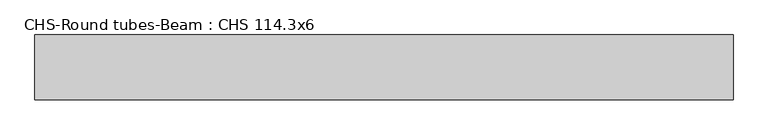
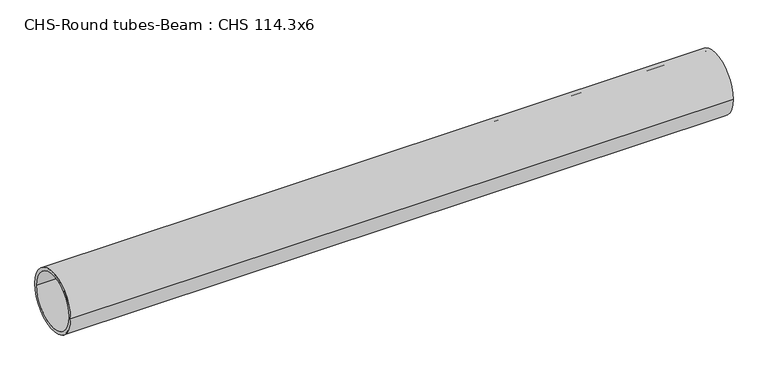
"""IFC4 building model written with IfcOpenShell, lengths in millimetres: beam geometry, CHS-Round tubes-Beam : CHS 114.3x6."""

from ifc_helpers import new_model, si_unit, point, frame, origin, origin_2d, place, context, project, spatial, circle_curve, trimmed, segment, composite_curve, outline, extrude, source, transform, mapped, element, save


def chs_round_tubes_beam_chs_114_3x6_8e3e5b35(model_context):
    return source(origin(), model_context, "Body", "SweptSolid", [
        extrude(outline(composite_curve([segment(trimmed(circle_curve(origin_2d(), 57.15), [point((57.15, 0.0))], [point((-57.15, 0.0))], False, "CARTESIAN"), True, "CONTINUOUS"), segment(trimmed(circle_curve(origin_2d(), 57.15), [point((-57.15, 0.0))], [point((57.15, 0.0))], False, "CARTESIAN"), True, "CONTINUOUS")], self_intersect=False), holes=[composite_curve([segment(trimmed(circle_curve(origin_2d(), 51.15), [point((51.15, 0.0))], [point((-51.15, 0.0))], True, "CARTESIAN"), True, "CONTINUOUS"), segment(trimmed(circle_curve(origin_2d(), 51.15), [point((-51.15, 0.0))], [point((51.15, 0.0))], True, "CARTESIAN"), True, "CONTINUOUS")], self_intersect=False)]), frame((-614.8657689, 0.0, 0.0), z_axis=(1.0, 0.0, 0.0), x_axis=(0.0, 1.0, 0.0)), (0.0, 0.0, 1.0), 1229.7384611),
    ])


if __name__ == "__main__":
    model = new_model("IFC4")
    model_context = context("Model", 3, world=origin())
    ifc_project = project(units=[si_unit("LENGTHUNIT", "METRE", prefix="MILLI")], contexts=[model_context])
    site = spatial("IfcSite", under=ifc_project)
    building = spatial("IfcBuilding", under=site)
    placement = place(None, origin())
    chs_round_tubes_beam_chs_114_3x6_shape = chs_round_tubes_beam_chs_114_3x6_8e3e5b35(model_context)
    element("IfcBeam", 1, ObjectType="CHS-Round tubes-Beam : CHS 114.3x6", at=placement, inside=building, context=model_context, shape_type="MappedRepresentation", body=[
        mapped(chs_round_tubes_beam_chs_114_3x6_shape, transform((0.0, 0.0, 0.0), x_axis=(1.0, 0.0, 0.0), y_axis=(0.0, 1.0, 0.0), z_axis=(0.0, 0.0, 1.0))),
    ])
    save(model, "model.ifc")
